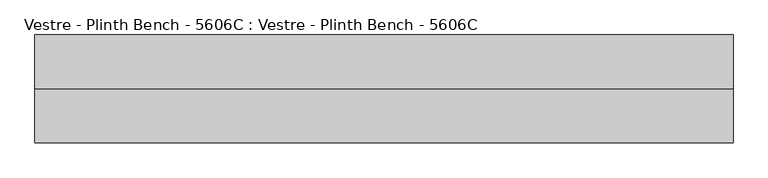
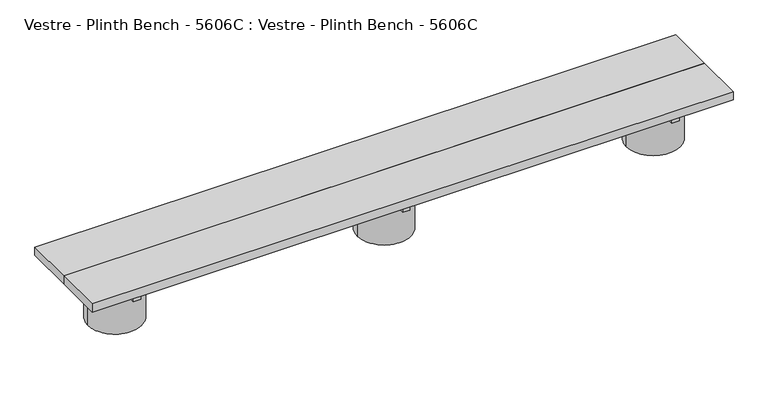
"""IFC4 building model written with IfcOpenShell, lengths in millimetres: furniture geometry, Vestre - Plinth Bench - 5606C : Vestre - Plinth Bench - 5606C."""

from ifc_helpers import new_model, si_unit, frame, origin, place, context, project, spatial, polyline, circle_curve, outline, extrude, source, transform, mapped, element, save
from ifc_brep_helpers import plane_surface, cylinder_surface, advanced_brep


def vestre_plinth_bench_5606c_vestre_plinth_bench_5606c_ea46a463(model_context):
    return source(origin(), model_context, "Body", "SolidModel", [
        extrude(outline(polyline([(1310.5005464, -17.4998463), (1310.5005464, -219.9999989), (-1310.5005464, -219.9999989), (-1310.5005464, -17.4998463), (1310.5005464, -17.4998463)])), frame((0.0, 0.0, 214.9999847), z_axis=(0.0, 0.0, 1.0), x_axis=(1.0, 0.0, 0.0)), (0.0, 0.0, 1.0), 35.0000153),
        advanced_brep(
        [(992.8249813, -237.5001515, 164.9999847), (1210.5868599, -219.9999989, 164.9999847), (992.8250143, -202.4996428, 164.9999847), (1089.0011479, -202.4996428, 164.9999847), (1089.0011479, -237.5001515, 164.9999847), (991.4186041, -219.9999989, 0.0), (1210.5868599, -219.9999989, 0.0), (992.8249813, -237.5001515, 74.9999847), (991.4186041, -219.9999989, 74.9999847), (992.8250143, -202.4996428, 74.9999847), (1089.0011479, -237.5001515, 74.9999847), (1089.0011479, -202.4996428, 74.9999847)],
        [
            (0, 1, circle_curve(frame((1101.002732, -219.9999989, 164.9999847), z_axis=(0.0, 0.0, 1.0), x_axis=(1.0, 0.0, 0.0)), 109.5841279)),
            (1, 2, circle_curve(frame((1101.002732, -219.9999989, 164.9999847), z_axis=(0.0, 0.0, 1.0), x_axis=(1.0, 0.0, 0.0)), 109.5841279)),
            (2, 3),
            (3, 4),
            (4, 0),
            (5, 6, circle_curve(frame((1101.002732, -219.9999989, 0.0), z_axis=(0.0, 0.0, -1.0), x_axis=(1.0, 0.0, 0.0)), 109.5841279)),
            (6, 5, circle_curve(frame((1101.002732, -219.9999989, 0.0), z_axis=(0.0, 0.0, -1.0), x_axis=(1.0, 0.0, 0.0)), 109.5841279)),
            (6, 1),
            (0, 7),
            (7, 8, circle_curve(frame((1101.002732, -219.9999989, 74.9999847), z_axis=(0.0, 0.0, -1.0), x_axis=(1.0, 0.0, 0.0)), 109.5841279)),
            (8, 5),
            (8, 9, circle_curve(frame((1101.002732, -219.9999989, 74.9999847), z_axis=(0.0, 0.0, -1.0), x_axis=(1.0, 0.0, 0.0)), 109.5841279)),
            (9, 2),
            (10, 11),
            (11, 9),
            (7, 10),
            (4, 10),
            (3, 11),
        ],
        [
            plane_surface(frame((1210.5868599, -219.9999989, 164.9999847), z_axis=(0.0, 0.0, 1.0), x_axis=(0.0, 1.0, 0.0))),
            plane_surface(frame((1210.5868599, -219.9999989, 0.0), z_axis=(0.0, 0.0, -1.0), x_axis=(0.0, -1.0, 0.0))),
            cylinder_surface(frame((1101.002732, -219.9999989, 0.0), z_axis=(0.0, 0.0, 1.0), x_axis=(1.0, 0.0, 0.0)), 109.5841279),
            plane_surface(frame((929.1366784, -202.4996428, 74.9999847), z_axis=(0.0, 0.0, 1.0), x_axis=(0.0, 1.0, 0.0))),
            plane_surface(frame((929.1366784, -237.5001515, 164.9999835), z_axis=(0.0, 1.0, 0.0), x_axis=(0.0, 0.0, -1.0))),
            plane_surface(frame((1089.0011479, -237.5001515, 164.9999835), z_axis=(-1.0, 0.0, 0.0), x_axis=(0.0, 0.0, -1.0))),
            plane_surface(frame((1089.0011479, -202.4996428, 164.9999835), z_axis=(0.0, -1.0, 0.0), x_axis=(0.0, 0.0, -1.0))),
        ],
        [
            (0, [[1, 2, 3, 4, 5]]),
            (1, [[6, 7]]),
            (2, [[-7, 8, -1, 9, 10, 11]]),
            (2, [[-6, -11, 12, 13, -2, -8]]),
            (3, [[14, 15, -12, -10, 16]]),
            (4, [[17, -16, -9, -5]]),
            (5, [[-14, -17, -4, 18]]),
            (6, [[-18, -3, -13, -15]]),
        ],
    ),
        advanced_brep(
        [(108.1804827, -202.4998463, 74.9999847), (-108.1750187, -202.4998463, 74.9999847), (-109.5813959, -219.9999989, 74.9999847), (-108.1750187, -237.5001515, 74.9999847), (108.1804827, -237.5001515, 74.9999847), (109.5868599, -219.9999989, 74.9999847), (108.1804827, -202.4998463, 164.9999847), (-108.1750187, -202.4998463, 164.9999847), (-108.1750187, -237.5001515, 164.9999847), (108.1804827, -237.5001515, 164.9999847), (-109.5813959, -219.9999989, 0.0), (109.5868599, -219.9999989, 0.0)],
        [
            (0, 1),
            (1, 2, circle_curve(frame((0.002732, -219.9999989, 74.9999847), z_axis=(0.0, 0.0, 1.0), x_axis=(1.0, 0.0, 0.0)), 109.5841279)),
            (2, 3, circle_curve(frame((0.002732, -219.9999989, 74.9999847), z_axis=(0.0, 0.0, 1.0), x_axis=(1.0, 0.0, 0.0)), 109.5841279)),
            (3, 4),
            (4, 5, circle_curve(frame((0.002732, -219.9999989, 74.9999847), z_axis=(0.0, 0.0, 1.0), x_axis=(1.0, 0.0, 0.0)), 109.5841279)),
            (5, 0, circle_curve(frame((0.002732, -219.9999989, 74.9999847), z_axis=(0.0, 0.0, 1.0), x_axis=(1.0, 0.0, 0.0)), 109.5841279)),
            (0, 6),
            (6, 7),
            (7, 1),
            (3, 8),
            (8, 9),
            (9, 4),
            (8, 9, circle_curve(frame((0.002732, -219.9999989, 164.9999847), z_axis=(0.0, 0.0, 1.0), x_axis=(1.0, 0.0, 0.0)), 109.5841279)),
            (6, 7, circle_curve(frame((0.002732, -219.9999989, 164.9999847), z_axis=(0.0, 0.0, 1.0), x_axis=(1.0, 0.0, 0.0)), 109.5841279)),
            (10, 11, circle_curve(frame((0.002732, -219.9999989, 0.0), z_axis=(0.0, 0.0, -1.0), x_axis=(1.0, 0.0, 0.0)), 109.5841279)),
            (11, 10, circle_curve(frame((0.002732, -219.9999989, 0.0), z_axis=(0.0, 0.0, -1.0), x_axis=(1.0, 0.0, 0.0)), 109.5841279)),
            (11, 5),
            (2, 10),
        ],
        [
            plane_surface(frame((-130.4989072, -202.4998463, 74.9999847), z_axis=(0.0, 0.0, 1.0), x_axis=(1.0, 0.0, 0.0))),
            plane_surface(frame((-130.4989072, -202.4998463, 164.9999847), z_axis=(0.0, -1.0, 0.0), x_axis=(1.0, 0.0, 0.0))),
            plane_surface(frame((-130.4989072, -237.5001515, 74.9999847), z_axis=(0.0, 1.0, 0.0), x_axis=(1.0, 0.0, 0.0))),
            plane_surface(frame((109.5868599, -219.9999989, 164.9999847), z_axis=(0.0, 0.0, 1.0), x_axis=(0.0, 1.0, 0.0))),
            plane_surface(frame((109.5868599, -219.9999989, 0.0), z_axis=(0.0, 0.0, -1.0), x_axis=(0.0, -1.0, 0.0))),
            cylinder_surface(frame((0.002732, -219.9999989, 0.0), z_axis=(0.0, 0.0, 1.0), x_axis=(1.0, 0.0, 0.0)), 109.5841279),
        ],
        [
            (0, [[1, 2, 3, 4, 5, 6]]),
            (1, [[-1, 7, 8, 9]]),
            (2, [[-4, 10, 11, 12]]),
            (3, [[13, -11]]),
            (3, [[14, -8]]),
            (4, [[15, 16]]),
            (5, [[-16, 17, -5, -12, -13, -10, -3, 18]]),
            (5, [[-15, -18, -2, -9, -14, -7, -6, -17]]),
        ],
    ),
        extrude(outline(polyline([(1116.0204991, -378.0001515), (1086.0021856, -378.0001515), (1086.0021856, -62.0001515), (1116.0204991, -62.0001515), (1116.0204991, -378.0001515)])), frame((0.0, 0.0, 164.9999847), z_axis=(0.0, 0.0, 1.0), x_axis=(1.0, 0.0, 0.0)), (0.0, 0.0, 1.0), 50.0),
        extrude(outline(polyline([(15.0204991, -378.0001515), (-14.9978144, -378.0001515), (-14.9978144, -62.0001515), (15.0204991, -62.0001515), (15.0204991, -378.0001515)])), frame((0.0, 0.0, 164.9999847), z_axis=(0.0, 0.0, 1.0), x_axis=(1.0, 0.0, 0.0)), (0.0, 0.0, 1.0), 50.0),
        extrude(outline(polyline([(-1085.9800473, -378.0001515), (-1115.9983608, -378.0001515), (-1115.9983608, -62.0001515), (-1085.9800473, -62.0001515), (-1085.9800473, -378.0001515)])), frame((0.0, 0.0, 164.9999847), z_axis=(0.0, 0.0, 1.0), x_axis=(1.0, 0.0, 0.0)), (0.0, 0.0, 1.0), 50.0),
        advanced_brep(
        [(-1210.5819423, -219.9999989, 164.9999847), (-992.8200637, -237.5001515, 164.9999847), (-1088.9994536, -237.5001515, 164.9999847), (-1088.9994536, -202.4998463, 164.9999847), (-992.8200637, -202.4998463, 164.9999847), (-1210.5819423, -219.9999989, 0.0), (-991.4136865, -219.9999989, 0.0), (-991.4136865, -219.9999989, 74.9999847), (-992.8200637, -237.5001515, 74.9999847), (-992.8200637, -202.4998463, 74.9999847), (-1088.9994536, -237.5001515, 74.9999847), (-1088.9994536, -202.4998463, 74.9999847)],
        [
            (0, 1, circle_curve(frame((-1100.9978144, -219.9999989, 164.9999847), z_axis=(0.0, 0.0, 1.0), x_axis=(1.0, 0.0, 0.0)), 109.5841279)),
            (1, 2),
            (2, 3),
            (3, 4),
            (4, 0, circle_curve(frame((-1100.9978144, -219.9999989, 164.9999847), z_axis=(0.0, 0.0, 1.0), x_axis=(1.0, 0.0, 0.0)), 109.5841279)),
            (5, 6, circle_curve(frame((-1100.9978144, -219.9999989, 0.0), z_axis=(0.0, 0.0, -1.0), x_axis=(1.0, 0.0, 0.0)), 109.5841279)),
            (6, 5, circle_curve(frame((-1100.9978144, -219.9999989, 0.0), z_axis=(0.0, 0.0, -1.0), x_axis=(1.0, 0.0, 0.0)), 109.5841279)),
            (6, 7),
            (7, 8, circle_curve(frame((-1100.9978144, -219.9999989, 74.9999847), z_axis=(0.0, 0.0, -1.0), x_axis=(1.0, 0.0, 0.0)), 109.5841279)),
            (8, 1),
            (0, 5),
            (4, 9),
            (9, 7, circle_curve(frame((-1100.9978144, -219.9999989, 74.9999847), z_axis=(0.0, 0.0, -1.0), x_axis=(1.0, 0.0, 0.0)), 109.5841279)),
            (10, 11),
            (11, 3),
            (2, 10),
            (10, 8),
            (9, 11),
        ],
        [
            plane_surface(frame((-991.4136865, -219.9999989, 164.9999847), z_axis=(0.0, 0.0, 1.0), x_axis=(0.0, 1.0, 0.0))),
            plane_surface(frame((-991.4136865, -219.9999989, 0.0), z_axis=(0.0, 0.0, -1.0), x_axis=(0.0, -1.0, 0.0))),
            cylinder_surface(frame((-1100.9978144, -219.9999989, 0.0), z_axis=(0.0, 0.0, 1.0), x_axis=(1.0, 0.0, 0.0)), 109.5841279),
            plane_surface(frame((-1088.9994536, -202.4998463, 74.9999847), z_axis=(1.0, 0.0, 0.0), x_axis=(0.0, -1.0, 0.0))),
            plane_surface(frame((-970.4989072, -237.5001515, 74.9999847), z_axis=(0.0, 0.0, 1.0), x_axis=(-1.0, 0.0, 0.0))),
            plane_surface(frame((-970.4989072, -202.4998463, 74.9999847), z_axis=(0.0, -1.0, 0.0), x_axis=(-1.0, 0.0, 0.0))),
            plane_surface(frame((-970.4989072, -237.5001515, 164.9999847), z_axis=(0.0, 1.0, 0.0), x_axis=(-1.0, 0.0, 0.0))),
        ],
        [
            (0, [[1, 2, 3, 4, 5]]),
            (1, [[6, 7]]),
            (2, [[-7, 8, 9, 10, -1, 11]]),
            (2, [[-6, -11, -5, 12, 13, -8]]),
            (3, [[14, 15, -3, 16]]),
            (4, [[-14, 17, -9, -13, 18]]),
            (5, [[-15, -18, -12, -4]]),
            (6, [[-16, -2, -10, -17]]),
        ],
    ),
        extrude(outline(polyline([(1089.0011479, -202.4998463), (1089.0011479, -237.5001515), (-1089.0005464, -237.5001515), (-1089.0005464, -202.4998463), (1089.0011479, -202.4998463)])), frame((0.0, 0.0, 74.9999847), z_axis=(0.0, 0.0, 1.0), x_axis=(1.0, 0.0, 0.0)), (0.0, 0.0, 1.0), 90.0),
        extrude(outline(polyline([(1310.5005464, -219.9999989), (1310.5005464, -422.5001515), (-1310.5005464, -422.5001515), (-1310.5005464, -219.9999989), (1310.5005464, -219.9999989)])), frame((0.0, 0.0, 214.9999847), z_axis=(0.0, 0.0, 1.0), x_axis=(1.0, 0.0, 0.0)), (0.0, 0.0, 1.0), 35.0000153),
    ])


if __name__ == "__main__":
    model = new_model("IFC4")
    model_context = context("Model", 3, world=origin())
    ifc_project = project(units=[si_unit("LENGTHUNIT", "METRE", prefix="MILLI")], contexts=[model_context])
    site = spatial("IfcSite", under=ifc_project)
    building = spatial("IfcBuilding", under=site)
    placement = place(None, origin())
    vestre_plinth_bench_5606c_vestre_plinth_bench_5606c_shape = vestre_plinth_bench_5606c_vestre_plinth_bench_5606c_ea46a463(model_context)
    element("IfcFurniture", 1, ObjectType="Vestre - Plinth Bench - 5606C : Vestre - Plinth Bench - 5606C", at=placement, inside=building, context=model_context, shape_type="MappedRepresentation", body=[
        mapped(vestre_plinth_bench_5606c_vestre_plinth_bench_5606c_shape, transform((0.0, 0.0, 0.0), x_axis=(1.0, 0.0, 0.0), y_axis=(0.0, 1.0, 0.0), z_axis=(0.0, 0.0, 1.0))),
    ])
    save(model, "model.ifc")
